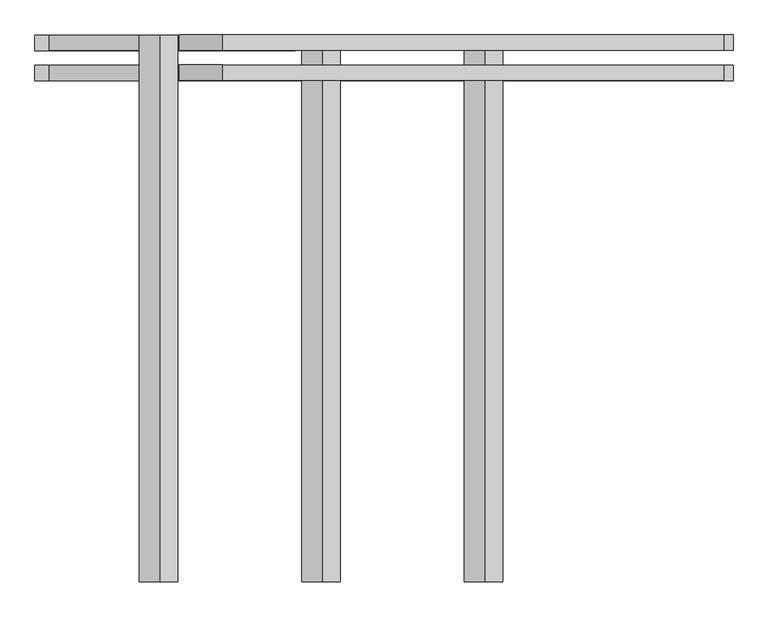
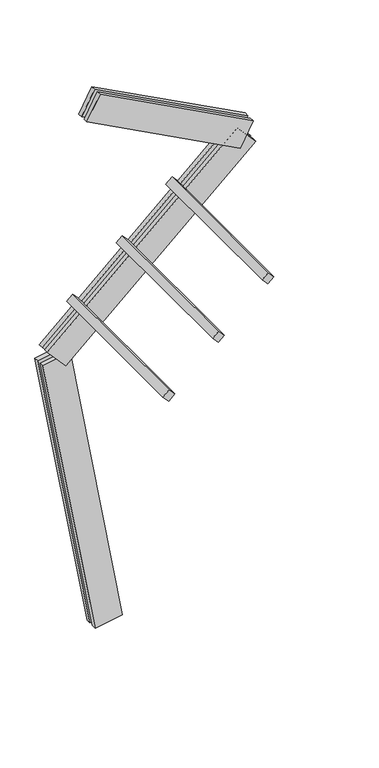
"""IFC4 building model written with IfcOpenShell, lengths in millimetres: proxy geometry."""

from ifc_helpers import new_model, si_unit, frame, origin, place, context, project, spatial, polyline, outline, extrude, source, transform, mapped, element, save


def generic_models_92d5f79e(model_context):
    return source(origin(), model_context, "Body", "SweptSolid", [
        extrude(outline(polyline([(1500.0, 0.0), (1500.0, -74.9999999), (0.0, -74.9999999), (0.0, 0.0), (1500.0, 0.0)])), frame((-199.4976134, 62.5, 3069.7110743), z_axis=(-0.6691306063588579, 0.0, 0.7431448254773947), x_axis=(0.0, -1.0, 0.0)), (0.0, 0.0, 1.0), 75.0),
        extrude(outline(polyline([(1500.0, 0.0), (1500.0, -75.0), (0.0, -75.0), (0.0, 0.0), (1500.0, 0.0)])), frame((246.3892819, 62.5, 3471.1894382), z_axis=(-0.6691306063588579, 0.0, 0.7431448254773947), x_axis=(0.0, -1.0, 0.0)), (0.0, 0.0, 1.0), 75.0),
        extrude(outline(polyline([(1500.0, 0.0), (1500.0, -75.0), (0.0, -75.0), (0.0, 0.0), (1500.0, 0.0)])), frame((692.2761772, 62.5, 3872.667802), z_axis=(-0.6691306063588579, 0.0, 0.7431448254773947), x_axis=(0.0, -1.0, 0.0)), (0.0, 0.0, 1.0), 75.0),
        extrude(outline(polyline([(1559.9999999, -125.0), (0.0, -125.0), (0.0, -82.5), (1559.9999999, -82.5), (1559.9999999, -125.0)])), frame((1181.6990735, -62.5, 4087.6128787), z_axis=(0.46947156278589286, 0.0, 0.8829475928589259), x_axis=(-0.8829475928589259, 0.0, 0.46947156278589286)), (0.0, 0.0, 1.0), 250.0),
        extrude(outline(polyline([(0.0, 0.0), (1559.9999999, 0.0), (1559.9999999, -42.5), (0.0, -42.5), (0.0, 0.0)])), frame((1181.6990735, -62.5, 4087.6128787), z_axis=(0.46947156278589286, 0.0, 0.8829475928589259), x_axis=(-0.8829475928589259, 0.0, 0.46947156278589286)), (0.0, 0.0, 1.0), 250.0),
        extrude(outline(polyline([(2300.0000001, -125.0), (0.0, -125.0), (0.0, -82.5), (2300.0000001, -82.5), (2300.0000001, -125.0)])), frame((1324.0243447, -62.5, 4105.0882246), z_axis=(-0.6691306063588579, 0.0, 0.7431448254773947), x_axis=(-0.7431448254773947, 0.0, -0.6691306063588579)), (0.0, 0.0, 1.0), 250.0),
        extrude(outline(polyline([(0.0, 0.0), (2300.0000001, 0.0), (2300.0000001, -42.5), (0.0, -42.5), (0.0, 0.0)])), frame((1324.0243447, -62.5, 4105.0882246), z_axis=(-0.6691306063588579, 0.0, 0.7431448254773947), x_axis=(-0.7431448254773947, 0.0, -0.6691306063588579)), (0.0, 0.0, 1.0), 250.0),
        extrude(outline(polyline([(-125.0, -249.9999999), (-125.0, 0.0), (-82.5, 0.0), (-82.5, -249.9999999), (-125.0, -249.9999999)])), frame((123.1009691, -62.5, 21.7060222), z_axis=(-0.17364817766693158, 0.0, 0.9848077530122079), x_axis=(0.0, -1.0, 0.0)), (0.0, 0.0, 1.0), 2700.0),
        extrude(outline(polyline([(0.0, 0.0), (0.0, -249.9999999), (-42.5, -249.9999999), (-42.5, 0.0), (0.0, 0.0)])), frame((123.1009691, -62.5, 21.7060222), z_axis=(-0.17364817766693158, 0.0, 0.9848077530122079), x_axis=(0.0, -1.0, 0.0)), (0.0, 0.0, 1.0), 2700.0),
    ])


if __name__ == "__main__":
    model = new_model("IFC4")
    model_context = context("Model", 3, world=origin())
    ifc_project = project(units=[si_unit("LENGTHUNIT", "METRE", prefix="MILLI")], contexts=[model_context])
    site = spatial("IfcSite", under=ifc_project)
    building = spatial("IfcBuilding", under=site)
    placement = place(None, origin())
    generic_models_shape = generic_models_92d5f79e(model_context)
    element("IfcBuildingElementProxy", 1, Name="Generic Models", at=placement, inside=building, context=model_context, shape_type="MappedRepresentation", body=[
        mapped(generic_models_shape, transform((0.0, 0.0, 0.0), x_axis=(1.0, 0.0, 0.0), y_axis=(0.0, 1.0, 0.0), z_axis=(0.0, 0.0, 1.0))),
    ])
    save(model, "model.ifc")
